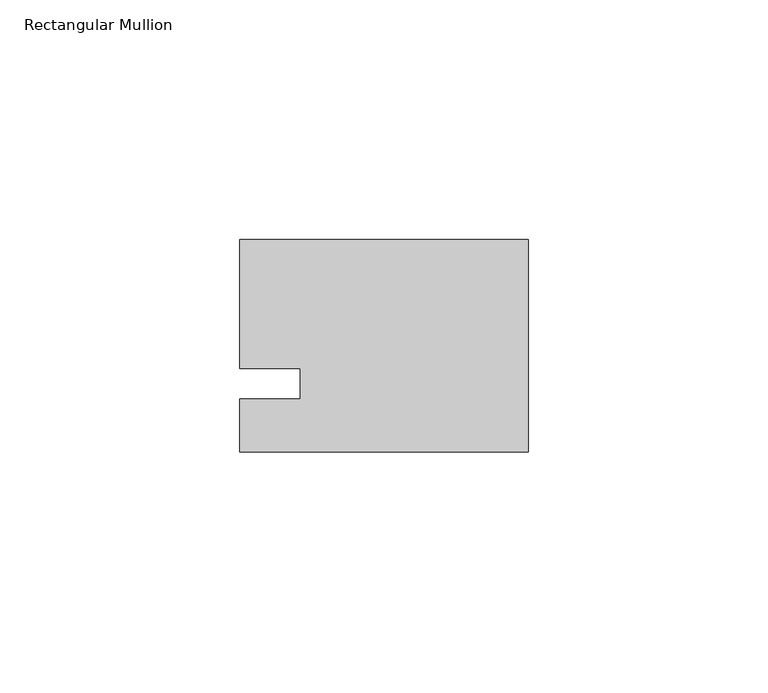
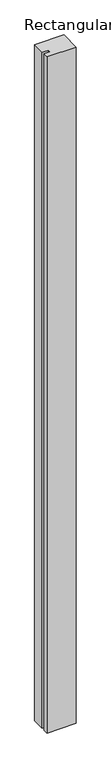
"""IFC4 building model written with IfcOpenShell, lengths in millimetres: member geometry, Rectangular Mullion."""

from ifc_helpers import new_model, si_unit, frame, origin, place, context, project, spatial, polyline, outline, extrude, source, transform, mapped, element, save


def rectangular_mullion_a2084327(model_context):
    return source(origin(), model_context, "Body", "SweptSolid", [
        extrude(outline(polyline([(-60.325, 30.1625), (0.0, 30.1625), (0.0, -14.2875), (-60.325, -14.2875), (-60.325, -3.175), (-47.6232296, -3.175), (-47.6232296, 3.175), (-60.325, 3.175), (-60.325, 30.1625)])), frame((0.0, 0.0, -1478.28), z_axis=(0.0, 0.0, 1.0), x_axis=(1.0, 0.0, 0.0)), (0.0, 0.0, 1.0), 1478.28),
    ])


if __name__ == "__main__":
    model = new_model("IFC4")
    model_context = context("Model", 3, world=origin())
    ifc_project = project(units=[si_unit("LENGTHUNIT", "METRE", prefix="MILLI")], contexts=[model_context])
    site = spatial("IfcSite", under=ifc_project)
    building = spatial("IfcBuilding", under=site)
    placement = place(None, origin())
    rectangular_mullion_shape = rectangular_mullion_a2084327(model_context)
    element("IfcMember", 1, ObjectType="Rectangular Mullion", at=placement, inside=building, context=model_context, shape_type="MappedRepresentation", body=[
        mapped(rectangular_mullion_shape, transform((0.0, 0.0, 0.0), x_axis=(1.0, 0.0, 0.0), y_axis=(0.0, 1.0, 0.0), z_axis=(0.0, 0.0, 1.0))),
    ])
    save(model, "model.ifc")
